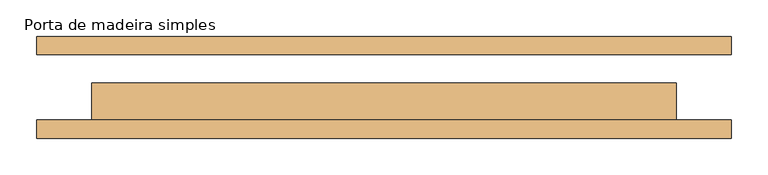
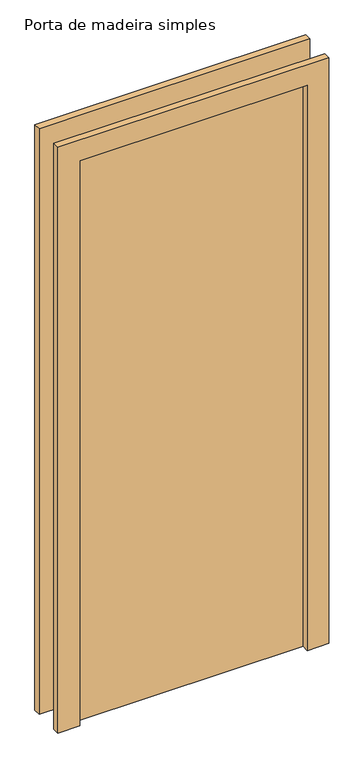
"""IFC4 building model written with IfcOpenShell, lengths in millimetres: door geometry, Porta de madeira simples."""

import ifcopenshell
import ifcopenshell.guid

model = None  # the IFC model being written
_history = None  # IfcOwnerHistory: only IFC2X3 demands one
_inside = {}  # id of a spatial element -> (the spatial element, [elements in it])
_under = {}  # id of a project, library or spatial element -> (it, [spatial elements below it])
_declared = {}  # id of a project -> (the project, [libraries it declares])
_typed = {}  # id of a type object -> (the type object, [elements of that type])
_made_of = {}  # id of a material, layer set ... -> (it, [elements and type objects made of it])


def new_model(schema):
    """Start an empty IFC model of exactly this schema.

    Asked for "IFC4X3", IfcOpenShell would pick the latest addendum, in which some entities
    have other attributes; the version numbers below select the first issue.
    IFC2X3 requires an IfcOwnerHistory on every rooted entity: one is made here for all.
    """
    global model, _history
    if schema == "IFC4X3":
        model = ifcopenshell.file(schema_version=(4, 3, 0, 0))
    else:
        model = ifcopenshell.file(schema=schema)
    _inside.clear()
    _under.clear()
    _declared.clear()
    _typed.clear()
    _made_of.clear()
    _history = None
    if model.schema == "IFC2X3":
        org = make("IfcOrganization", Name="unknown")
        user = make(
            "IfcPersonAndOrganization",
            ThePerson=make("IfcPerson", FamilyName="unknown"),
            TheOrganization=org,
        )
        app = make(
            "IfcApplication",
            ApplicationDeveloper=org,
            Version="unknown",
            ApplicationFullName="unknown",
            ApplicationIdentifier="unknown",
        )
        _history = make(
            "IfcOwnerHistory",
            OwningUser=user,
            OwningApplication=app,
            ChangeAction="ADDED",
            CreationDate=0,
        )
    return model


def make(cls, **values):
    """One entity of the class cls with the attributes given. An attribute that is None is left unset."""
    return model.create_entity(
        cls, **{name: value for name, value in values.items() if value is not None}
    )


def rooted(cls, **values):
    """An entity with a GlobalId (a new one), such as an element, a storey or a relation."""
    return make(cls, GlobalId=ifcopenshell.guid.new(), OwnerHistory=_history, **values)


def si_unit(unit_type, name, prefix=None):
    """IfcSIUnit, for example si_unit("LENGTHUNIT", "METRE", prefix="MILLI")."""
    return make("IfcSIUnit", UnitType=unit_type, Prefix=prefix, Name=name)


def assignment(units):
    """IfcUnitAssignment: the units of a project."""
    return None if units is None else make("IfcUnitAssignment", Units=units)


def point(xyz):
    """IfcCartesianPoint."""
    return None if xyz is None else make("IfcCartesianPoint", Coordinates=xyz)


def direction(xyz):
    """IfcDirection."""
    return None if xyz is None else make("IfcDirection", DirectionRatios=xyz)


def frame(location, z_axis=None, x_axis=None):
    """IfcAxis2Placement3D, a coordinate frame: its origin and axes. An axis left out is left unset."""
    return make(
        "IfcAxis2Placement3D",
        Location=point(location),
        Axis=direction(z_axis),
        RefDirection=direction(x_axis),
    )


def origin():
    """The frame at (0, 0, 0) with its axes left unset."""
    return frame((0.0, 0.0, 0.0))


def origin_with_axes():
    """The frame at (0, 0, 0) with the z axis (0, 0, 1) and the x axis (1, 0, 0) written out."""
    return frame((0.0, 0.0, 0.0), z_axis=(0.0, 0.0, 1.0), x_axis=(1.0, 0.0, 0.0))


def place(relative_to, where):
    """IfcLocalPlacement: puts the frame where relative to a parent placement (None: the world)."""
    return make(
        "IfcLocalPlacement", PlacementRelTo=relative_to, RelativePlacement=where
    )


def context(
    kind, dimensions, precision=None, world=None, true_north=None, identifier=None
):
    """IfcGeometricRepresentationContext, for example the 3D "Model" context."""
    return make(
        "IfcGeometricRepresentationContext",
        ContextIdentifier=identifier,
        ContextType=kind,
        CoordinateSpaceDimension=dimensions,
        Precision=precision,
        WorldCoordinateSystem=world,
        TrueNorth=true_north,
    )


def project(units=None, contexts=None):
    """IfcProject with its units and contexts."""
    return rooted(
        "IfcProject",
        Name="project",
        RepresentationContexts=contexts,
        UnitsInContext=assignment(units),
    )


def spatial(cls, under=None, at=None, **own):
    """A site, building, storey or space (cls), placed at a placement, below another one or the project."""
    s = rooted(cls, ObjectPlacement=at, **own)
    if under is not None:
        _under.setdefault(under.id(), (under, []))[1].append(s)
    return s


def polyline(points):
    """IfcPolyline through the points."""
    return make("IfcPolyline", Points=[point(p) for p in points])


def outline(outer, holes=None, kind="AREA"):
    """IfcArbitraryClosedProfileDef: a profile drawn as a closed curve; with holes, ...WithVoids."""
    if holes is None:
        return make("IfcArbitraryClosedProfileDef", ProfileType=kind, OuterCurve=outer)
    return make(
        "IfcArbitraryProfileDefWithVoids",
        ProfileType=kind,
        OuterCurve=outer,
        InnerCurves=holes,
    )


def extrude(swept, where, along, depth):
    """IfcExtrudedAreaSolid: the profile swept, set in the frame where, extruded along a direction by depth."""
    return make(
        "IfcExtrudedAreaSolid",
        SweptArea=swept,
        Position=where,
        ExtrudedDirection=direction(along),
        Depth=depth,
    )


def shape(context_of_items, identifier, shape_type, items):
    """IfcShapeRepresentation: the items that make up one representation, for example the "Body"."""
    return make(
        "IfcShapeRepresentation",
        ContextOfItems=context_of_items,
        RepresentationIdentifier=identifier,
        RepresentationType=shape_type,
        Items=items,
    )


def source(mapping_origin, context_of_items, identifier, shape_type, items):
    """IfcRepresentationMap: a shape defined once, which mapped items show again and again."""
    return make(
        "IfcRepresentationMap",
        MappingOrigin=mapping_origin,
        MappedRepresentation=shape(context_of_items, identifier, shape_type, items),
    )


def transform(
    local_origin,
    x_axis=None,
    y_axis=None,
    z_axis=None,
    scale=None,
    scale2=None,
    scale3=None,
    uniform=True,
):
    """IfcCartesianTransformationOperator3D, or its non-uniform kind. x_axis, y_axis, z_axis: its Axis1, 2, 3."""
    if uniform:
        return make(
            "IfcCartesianTransformationOperator3D",
            Axis1=direction(x_axis),
            Axis2=direction(y_axis),
            LocalOrigin=point(local_origin),
            Scale=scale,
            Axis3=direction(z_axis),
        )
    return make(
        "IfcCartesianTransformationOperator3DnonUniform",
        Axis1=direction(x_axis),
        Axis2=direction(y_axis),
        LocalOrigin=point(local_origin),
        Scale=scale,
        Axis3=direction(z_axis),
        Scale2=scale2,
        Scale3=scale3,
    )


def mapped(mapping_source, mapping_target):
    """IfcMappedItem: shows the shape of a source again, moved by a transform."""
    return make(
        "IfcMappedItem", MappingSource=mapping_source, MappingTarget=mapping_target
    )


def made_of(thing, what):
    """Note that an element or type object is made of a material, layer set ...; save() writes the relation."""
    if what is not None:
        _made_of.setdefault(what.id(), (what, []))[1].append(thing)
    return thing


def element(
    cls,
    number,
    at=None,
    inside=None,
    cuts=None,
    type_object=None,
    material=None,
    context=None,
    identifier="Body",
    shape_type=None,
    held_by="IfcProductDefinitionShape",
    body=None,
    shapes=None,
    **own,
):
    """One element of the class cls, such as IfcWall. Its Tag is "e" and its number.

    at: its placement. inside: the storey or other place that contains it. cuts: it is an
    opening in that element (IfcRelVoidsElement). A single representation is given by context,
    identifier, shape_type and body (its items); several are given by shapes. held_by: the class
    of the entity that holds the representations. save() writes the other relations.
    """
    e = rooted(cls, Tag="e%d" % number, ObjectPlacement=at, **own)
    if body is not None:
        shapes = [shape(context, identifier, shape_type, body)]
    if shapes is not None:
        e.Representation = make(held_by, Representations=shapes)
    if inside is not None:
        _inside.setdefault(inside.id(), (inside, []))[1].append(e)
    if cuts is not None:
        rooted(
            "IfcRelVoidsElement", RelatingBuildingElement=cuts, RelatedOpeningElement=e
        )
    if type_object is not None:
        _typed.setdefault(type_object.id(), (type_object, []))[1].append(e)
    return made_of(e, material)


def aggregate(whole, parts):
    """IfcRelAggregates: a whole, such as a stair, and the parts it consists of."""
    return rooted("IfcRelAggregates", RelatingObject=whole, RelatedObjects=parts)


def save(model, path):
    """Write the relations noted so far, then the file.

    IfcRelAggregates (storeys below a building ...), IfcRelContainedInSpatialStructure (elements
    in a storey), IfcRelDefinesByType, IfcRelAssociatesMaterial and IfcRelDeclares: one each for
    every whole, place, type object, material and project.
    """
    for whole, parts in _under.values():
        aggregate(whole, parts)
    for where, things in _inside.values():
        rooted(
            "IfcRelContainedInSpatialStructure",
            RelatedElements=things,
            RelatingStructure=where,
        )
    for kind, things in _typed.values():
        rooted("IfcRelDefinesByType", RelatedObjects=things, RelatingType=kind)
    for what, things in _made_of.values():
        rooted("IfcRelAssociatesMaterial", RelatedObjects=things, RelatingMaterial=what)
    for by, libraries in _declared.values():
        rooted("IfcRelDeclares", RelatingContext=by, RelatedDefinitions=libraries)
    model.write(path)


def porta_de_madeira_simples_d52a447c(model_context):
    return source(origin(), model_context, "Body", "SweptSolid", [
        extrude(outline(polyline([(2176.0, -476.0), (0.0, -476.0), (0.0, -400.0), (2100.0, -400.0), (2100.0, 400.0), (0.0, 400.0), (0.0, 476.0), (2176.0, 476.0), (2176.0, -476.0)])), frame((0.0, -70.0, 0.0), z_axis=(0.0, 1.0, 0.0), x_axis=(0.0, 0.0, 1.0)), (0.0, 0.0, 1.0), 25.0),
        extrude(outline(polyline([(2176.0, 476.0), (2176.0, -476.0), (0.0, -476.0), (0.0, -400.0), (2100.0, -400.0), (2100.0, 400.0), (0.0, 400.0), (0.0, 476.0), (2176.0, 476.0)])), frame((0.0, 45.0, 0.0), z_axis=(0.0, 1.0, 0.0), x_axis=(0.0, 0.0, 1.0)), (0.0, 0.0, 1.0), 25.0),
        extrude(outline(polyline([(400.0, 6.0), (400.0, -45.0), (-400.0, -45.0), (-400.0, 6.0), (400.0, 6.0)])), origin_with_axes(), (0.0, 0.0, 1.0), 2100.0),
    ])


if __name__ == "__main__":
    model = new_model("IFC4")
    model_context = context("Model", 3, world=origin())
    ifc_project = project(units=[si_unit("LENGTHUNIT", "METRE", prefix="MILLI")], contexts=[model_context])
    site = spatial("IfcSite", under=ifc_project)
    building = spatial("IfcBuilding", under=site)
    placement = place(None, origin())
    porta_de_madeira_simples_shape = porta_de_madeira_simples_d52a447c(model_context)
    element("IfcDoor", 1, ObjectType="Porta de madeira simples", at=placement, inside=building, context=model_context, shape_type="MappedRepresentation", body=[
        mapped(porta_de_madeira_simples_shape, transform((0.0, 0.0, 0.0), x_axis=(1.0, 0.0, 0.0), y_axis=(0.0, 1.0, 0.0), z_axis=(0.0, 0.0, 1.0))),
    ])
    save(model, "model.ifc")
